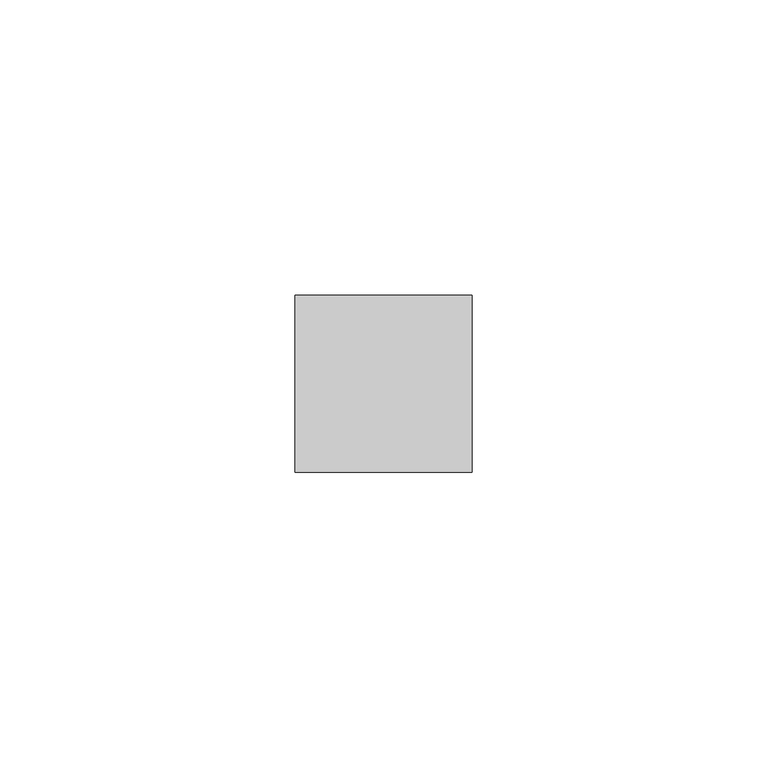
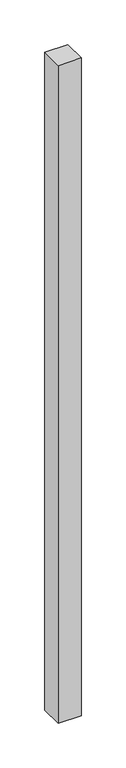
"""IFC4 building model written with IfcOpenShell, lengths in millimetres: member geometry."""

from ifc_helpers import new_model, si_unit, frame, origin, place, context, project, spatial, polyline, outline, extrude, source, transform, mapped, element, save


def member_46a4127e(model_context):
    return source(origin(), model_context, "Body", "SweptSolid", [
        extrude(outline(polyline([(15.0, 15.0), (15.0, -15.0), (-15.0, -15.0), (-15.0, 15.0), (15.0, 15.0)])), frame((0.0, 0.0, -898.5714286), z_axis=(0.0, 0.0, 1.0), x_axis=(1.0, 0.0, 0.0)), (0.0, 0.0, 1.0), 898.5714286),
    ])


if __name__ == "__main__":
    model = new_model("IFC4")
    model_context = context("Model", 3, world=origin())
    ifc_project = project(units=[si_unit("LENGTHUNIT", "METRE", prefix="MILLI")], contexts=[model_context])
    site = spatial("IfcSite", under=ifc_project)
    building = spatial("IfcBuilding", under=site)
    placement = place(None, origin())
    member_shape = member_46a4127e(model_context)
    element("IfcMember", 1, at=placement, inside=building, context=model_context, shape_type="MappedRepresentation", body=[
        mapped(member_shape, transform((0.0, 0.0, 0.0), x_axis=(1.0, 0.0, 0.0), y_axis=(0.0, 1.0, 0.0), z_axis=(0.0, 0.0, 1.0))),
    ])
    save(model, "model.ifc")
